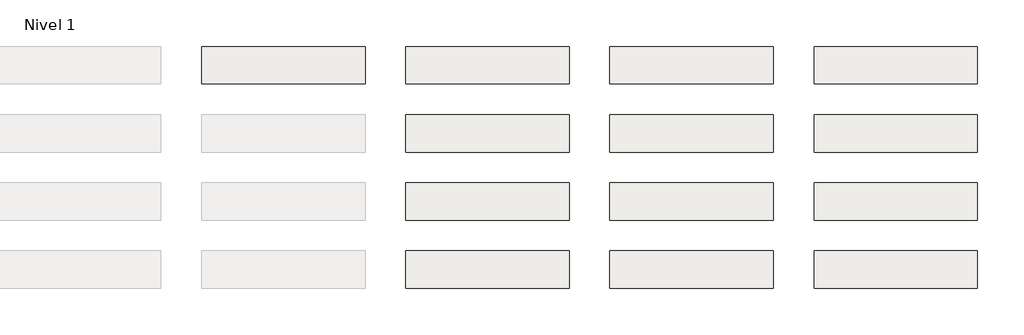
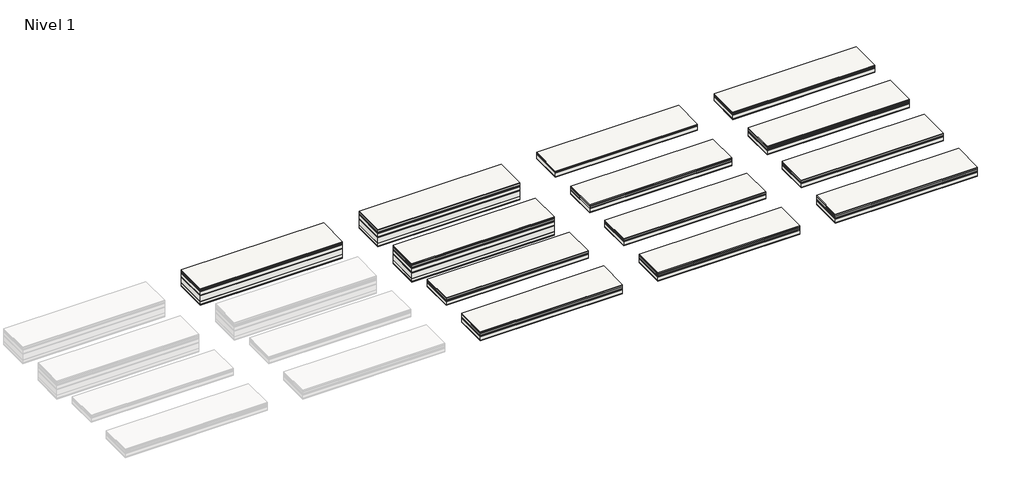
# One storey, part 2 of 2: 13 slabs.
"""IFC4 building model written with IfcOpenShell, lengths in millimetres."""

from ifc_helpers import new_model, si_unit, frame, origin, place, context, project, spatial, polyline, outline, extrude, element, save

model = new_model("IFC4")

# Units and contexts
model_context = context("Model", 3, world=origin())
ifc_project = project(units=[si_unit("LENGTHUNIT", "METRE", prefix="MILLI")], contexts=[model_context])

# Site, building, storey
site = spatial("IfcSite", under=ifc_project)
building = spatial("IfcBuilding", under=site)
storey = spatial("IfcBuildingStorey", under=building, Name="Nivel 1", Elevation=0.0)

# Slabs
placement = place(None, origin())
element("IfcSlab", 1, at=placement, inside=storey, context=model_context, shape_type="SweptSolid", body=[
    extrude(outline(polyline([(7184.4345966, -2901.6608764), (7184.4345966, -3451.6608764), (4784.4345966, -3451.6608764), (4784.4345966, -2901.6608764), (7184.4345966, -2901.6608764)])), frame((0.0, 0.0, -10.0), z_axis=(0.0, 0.0, 1.0), x_axis=(1.0, 0.0, 0.0)), (0.0, 0.0, 1.0), 10.0),
    extrude(outline(polyline([(7184.4345966, -2901.6608764), (7184.4345966, -3451.6608764), (4784.4345966, -3451.6608764), (4784.4345966, -2901.6608764), (7184.4345966, -2901.6608764)])), frame((0.0, 0.0, -30.0), z_axis=(0.0, 0.0, 1.0), x_axis=(1.0, 0.0, 0.0)), (0.0, 0.0, 1.0), 20.0),
    extrude(outline(polyline([(7184.4345966, -2901.6608764), (7184.4345966, -3451.6608764), (4784.4345966, -3451.6608764), (4784.4345966, -2901.6608764), (7184.4345966, -2901.6608764)])), frame((0.0, 0.0, -45.0), z_axis=(0.0, 0.0, 1.0), x_axis=(1.0, 0.0, 0.0)), (0.0, 0.0, 1.0), 15.0),
    extrude(outline(polyline([(7184.4345966, -2901.6608764), (7184.4345966, -3451.6608764), (4784.4345966, -3451.6608764), (4784.4345966, -2901.6608764), (7184.4345966, -2901.6608764)])), frame((0.0, 0.0, -57.5), z_axis=(0.0, 0.0, 1.0), x_axis=(1.0, 0.0, 0.0)), (0.0, 0.0, 1.0), 12.5),
    extrude(outline(polyline([(7184.4345966, -2901.6608764), (7184.4345966, -3451.6608764), (4784.4345966, -3451.6608764), (4784.4345966, -2901.6608764), (7184.4345966, -2901.6608764)])), frame((0.0, 0.0, -117.5), z_axis=(0.0, 0.0, 1.0), x_axis=(1.0, 0.0, 0.0)), (0.0, 0.0, 1.0), 60.0),
    extrude(outline(polyline([(7184.4345966, -2901.6608764), (7184.4345966, -3451.6608764), (4784.4345966, -3451.6608764), (4784.4345966, -2901.6608764), (7184.4345966, -2901.6608764)])), frame((0.0, 0.0, -130.0), z_axis=(0.0, 0.0, 1.0), x_axis=(1.0, 0.0, 0.0)), (0.0, 0.0, 1.0), 12.5),
    extrude(outline(polyline([(7184.4345966, -2901.6608764), (7184.4345966, -3451.6608764), (4784.4345966, -3451.6608764), (4784.4345966, -2901.6608764), (7184.4345966, -2901.6608764)])), frame((0.0, 0.0, -230.0), z_axis=(0.0, 0.0, 1.0), x_axis=(1.0, 0.0, 0.0)), (0.0, 0.0, 1.0), 100.0),
    extrude(outline(polyline([(7184.4345966, -2901.6608764), (7184.4345966, -3451.6608764), (4784.4345966, -3451.6608764), (4784.4345966, -2901.6608764), (7184.4345966, -2901.6608764)])), frame((0.0, 0.0, -280.0), z_axis=(0.0, 0.0, 1.0), x_axis=(1.0, 0.0, 0.0)), (0.0, 0.0, 1.0), 50.0),
    extrude(outline(polyline([(7184.4345966, -2901.6608764), (7184.4345966, -3451.6608764), (4784.4345966, -3451.6608764), (4784.4345966, -2901.6608764), (7184.4345966, -2901.6608764)])), frame((0.0, 0.0, -295.0), z_axis=(0.0, 0.0, 1.0), x_axis=(1.0, 0.0, 0.0)), (0.0, 0.0, 1.0), 15.0),
])
element("IfcSlab", 2, at=placement, inside=storey, context=model_context, shape_type="SweptSolid", body=[
    extrude(outline(polyline([(10184.4345966, -2901.6608764), (10184.4345966, -3451.6608764), (7784.4345966, -3451.6608764), (7784.4345966, -2901.6608764), (10184.4345966, -2901.6608764)])), frame((0.0, 0.0, -10.0), z_axis=(0.0, 0.0, 1.0), x_axis=(1.0, 0.0, 0.0)), (0.0, 0.0, 1.0), 10.0),
    extrude(outline(polyline([(10184.4345966, -2901.6608764), (10184.4345966, -3451.6608764), (7784.4345966, -3451.6608764), (7784.4345966, -2901.6608764), (10184.4345966, -2901.6608764)])), frame((0.0, 0.0, -40.0), z_axis=(0.0, 0.0, 1.0), x_axis=(1.0, 0.0, 0.0)), (0.0, 0.0, 1.0), 30.0),
    extrude(outline(polyline([(10184.4345966, -2901.6608764), (10184.4345966, -3451.6608764), (7784.4345966, -3451.6608764), (7784.4345966, -2901.6608764), (10184.4345966, -2901.6608764)])), frame((0.0, 0.0, -55.0), z_axis=(0.0, 0.0, 1.0), x_axis=(1.0, 0.0, 0.0)), (0.0, 0.0, 1.0), 15.0),
    extrude(outline(polyline([(10184.4345966, -2901.6608764), (10184.4345966, -3451.6608764), (7784.4345966, -3451.6608764), (7784.4345966, -2901.6608764), (10184.4345966, -2901.6608764)])), frame((0.0, 0.0, -67.5), z_axis=(0.0, 0.0, 1.0), x_axis=(1.0, 0.0, 0.0)), (0.0, 0.0, 1.0), 12.5),
    extrude(outline(polyline([(10184.4345966, -2901.6608764), (10184.4345966, -3451.6608764), (7784.4345966, -3451.6608764), (7784.4345966, -2901.6608764), (10184.4345966, -2901.6608764)])), frame((0.0, 0.0, -127.5), z_axis=(0.0, 0.0, 1.0), x_axis=(1.0, 0.0, 0.0)), (0.0, 0.0, 1.0), 60.0),
    extrude(outline(polyline([(10184.4345966, -2901.6608764), (10184.4345966, -3451.6608764), (7784.4345966, -3451.6608764), (7784.4345966, -2901.6608764), (10184.4345966, -2901.6608764)])), frame((0.0, 0.0, -140.0), z_axis=(0.0, 0.0, 1.0), x_axis=(1.0, 0.0, 0.0)), (0.0, 0.0, 1.0), 12.5),
    extrude(outline(polyline([(10184.4345966, -2901.6608764), (10184.4345966, -3451.6608764), (7784.4345966, -3451.6608764), (7784.4345966, -2901.6608764), (10184.4345966, -2901.6608764)])), frame((0.0, 0.0, -240.0), z_axis=(0.0, 0.0, 1.0), x_axis=(1.0, 0.0, 0.0)), (0.0, 0.0, 1.0), 100.0),
    extrude(outline(polyline([(10184.4345966, -2901.6608764), (10184.4345966, -3451.6608764), (7784.4345966, -3451.6608764), (7784.4345966, -2901.6608764), (10184.4345966, -2901.6608764)])), frame((0.0, 0.0, -290.0), z_axis=(0.0, 0.0, 1.0), x_axis=(1.0, 0.0, 0.0)), (0.0, 0.0, 1.0), 50.0),
    extrude(outline(polyline([(10184.4345966, -2901.6608764), (10184.4345966, -3451.6608764), (7784.4345966, -3451.6608764), (7784.4345966, -2901.6608764), (10184.4345966, -2901.6608764)])), frame((0.0, 0.0, -305.0), z_axis=(0.0, 0.0, 1.0), x_axis=(1.0, 0.0, 0.0)), (0.0, 0.0, 1.0), 15.0),
])
element("IfcSlab", 3, at=placement, inside=storey, context=model_context, shape_type="SweptSolid", body=[
    extrude(outline(polyline([(10184.4345966, -3901.6608764), (10184.4345966, -4451.6608764), (7784.4345966, -4451.6608764), (7784.4345966, -3901.6608764), (10184.4345966, -3901.6608764)])), frame((0.0, 0.0, -15.0), z_axis=(0.0, 0.0, 1.0), x_axis=(1.0, 0.0, 0.0)), (0.0, 0.0, 1.0), 15.0),
    extrude(outline(polyline([(10184.4345966, -3901.6608764), (10184.4345966, -4451.6608764), (7784.4345966, -4451.6608764), (7784.4345966, -3901.6608764), (10184.4345966, -3901.6608764)])), frame((0.0, 0.0, -65.0), z_axis=(0.0, 0.0, 1.0), x_axis=(1.0, 0.0, 0.0)), (0.0, 0.0, 1.0), 30.0),
    extrude(outline(polyline([(10184.4345966, -3901.6608764), (10184.4345966, -4451.6608764), (7784.4345966, -4451.6608764), (7784.4345966, -3901.6608764), (10184.4345966, -3901.6608764)])), frame((0.0, 0.0, -80.0), z_axis=(0.0, 0.0, 1.0), x_axis=(1.0, 0.0, 0.0)), (0.0, 0.0, 1.0), 15.0),
    extrude(outline(polyline([(10184.4345966, -3901.6608764), (10184.4345966, -4451.6608764), (7784.4345966, -4451.6608764), (7784.4345966, -3901.6608764), (10184.4345966, -3901.6608764)])), frame((0.0, 0.0, -92.5), z_axis=(0.0, 0.0, 1.0), x_axis=(1.0, 0.0, 0.0)), (0.0, 0.0, 1.0), 12.5),
    extrude(outline(polyline([(10184.4345966, -3901.6608764), (10184.4345966, -4451.6608764), (7784.4345966, -4451.6608764), (7784.4345966, -3901.6608764), (10184.4345966, -3901.6608764)])), frame((0.0, 0.0, -152.5), z_axis=(0.0, 0.0, 1.0), x_axis=(1.0, 0.0, 0.0)), (0.0, 0.0, 1.0), 60.0),
    extrude(outline(polyline([(10184.4345966, -3901.6608764), (10184.4345966, -4451.6608764), (7784.4345966, -4451.6608764), (7784.4345966, -3901.6608764), (10184.4345966, -3901.6608764)])), frame((0.0, 0.0, -165.0), z_axis=(0.0, 0.0, 1.0), x_axis=(1.0, 0.0, 0.0)), (0.0, 0.0, 1.0), 12.5),
    extrude(outline(polyline([(10184.4345966, -3901.6608764), (10184.4345966, -4451.6608764), (7784.4345966, -4451.6608764), (7784.4345966, -3901.6608764), (10184.4345966, -3901.6608764)])), frame((0.0, 0.0, -265.0), z_axis=(0.0, 0.0, 1.0), x_axis=(1.0, 0.0, 0.0)), (0.0, 0.0, 1.0), 100.0),
    extrude(outline(polyline([(10184.4345966, -3901.6608764), (10184.4345966, -4451.6608764), (7784.4345966, -4451.6608764), (7784.4345966, -3901.6608764), (10184.4345966, -3901.6608764)])), frame((0.0, 0.0, -35.0), z_axis=(0.0, 0.0, 1.0), x_axis=(1.0, 0.0, 0.0)), (0.0, 0.0, 1.0), 20.0),
    extrude(outline(polyline([(10184.4345966, -3901.6608764), (10184.4345966, -4451.6608764), (7784.4345966, -4451.6608764), (7784.4345966, -3901.6608764), (10184.4345966, -3901.6608764)])), frame((0.0, 0.0, -315.0), z_axis=(0.0, 0.0, 1.0), x_axis=(1.0, 0.0, 0.0)), (0.0, 0.0, 1.0), 50.0),
    extrude(outline(polyline([(10184.4345966, -3901.6608764), (10184.4345966, -4451.6608764), (7784.4345966, -4451.6608764), (7784.4345966, -3901.6608764), (10184.4345966, -3901.6608764)])), frame((0.0, 0.0, -330.0), z_axis=(0.0, 0.0, 1.0), x_axis=(1.0, 0.0, 0.0)), (0.0, 0.0, 1.0), 15.0),
])
element("IfcSlab", 4, at=placement, inside=storey, context=model_context, shape_type="SweptSolid", body=[
    extrude(outline(polyline([(10184.4345966, -4901.6608764), (10184.4345966, -5451.6608764), (7784.4345966, -5451.6608764), (7784.4345966, -4901.6608764), (10184.4345966, -4901.6608764)])), frame((0.0, 0.0, -10.0), z_axis=(0.0, 0.0, 1.0), x_axis=(1.0, 0.0, 0.0)), (0.0, 0.0, 1.0), 10.0),
    extrude(outline(polyline([(10184.4345966, -4901.6608764), (10184.4345966, -5451.6608764), (7784.4345966, -5451.6608764), (7784.4345966, -4901.6608764), (10184.4345966, -4901.6608764)])), frame((0.0, 0.0, -40.0), z_axis=(0.0, 0.0, 1.0), x_axis=(1.0, 0.0, 0.0)), (0.0, 0.0, 1.0), 30.0),
    extrude(outline(polyline([(10184.4345966, -4901.6608764), (10184.4345966, -5451.6608764), (7784.4345966, -5451.6608764), (7784.4345966, -4901.6608764), (10184.4345966, -4901.6608764)])), frame((0.0, 0.0, -55.0), z_axis=(0.0, 0.0, 1.0), x_axis=(1.0, 0.0, 0.0)), (0.0, 0.0, 1.0), 15.0),
    extrude(outline(polyline([(10184.4345966, -4901.6608764), (10184.4345966, -5451.6608764), (7784.4345966, -5451.6608764), (7784.4345966, -4901.6608764), (10184.4345966, -4901.6608764)])), frame((0.0, 0.0, -67.5), z_axis=(0.0, 0.0, 1.0), x_axis=(1.0, 0.0, 0.0)), (0.0, 0.0, 1.0), 12.5),
    extrude(outline(polyline([(10184.4345966, -4901.6608764), (10184.4345966, -5451.6608764), (7784.4345966, -5451.6608764), (7784.4345966, -4901.6608764), (10184.4345966, -4901.6608764)])), frame((0.0, 0.0, -127.5), z_axis=(0.0, 0.0, 1.0), x_axis=(1.0, 0.0, 0.0)), (0.0, 0.0, 1.0), 60.0),
    extrude(outline(polyline([(10184.4345966, -4901.6608764), (10184.4345966, -5451.6608764), (7784.4345966, -5451.6608764), (7784.4345966, -4901.6608764), (10184.4345966, -4901.6608764)])), frame((0.0, 0.0, -137.5), z_axis=(0.0, 0.0, 1.0), x_axis=(1.0, 0.0, 0.0)), (0.0, 0.0, 1.0), 10.0),
])
element("IfcSlab", 5, at=placement, inside=storey, context=model_context, shape_type="SweptSolid", body=[
    extrude(outline(polyline([(10184.4345966, -5901.6608764), (10184.4345966, -6451.6608764), (7784.4345966, -6451.6608764), (7784.4345966, -5901.6608764), (10184.4345966, -5901.6608764)])), frame((0.0, 0.0, -15.0), z_axis=(0.0, 0.0, 1.0), x_axis=(1.0, 0.0, 0.0)), (0.0, 0.0, 1.0), 15.0),
    extrude(outline(polyline([(10184.4345966, -5901.6608764), (10184.4345966, -6451.6608764), (7784.4345966, -6451.6608764), (7784.4345966, -5901.6608764), (10184.4345966, -5901.6608764)])), frame((0.0, 0.0, -65.0), z_axis=(0.0, 0.0, 1.0), x_axis=(1.0, 0.0, 0.0)), (0.0, 0.0, 1.0), 30.0),
    extrude(outline(polyline([(10184.4345966, -5901.6608764), (10184.4345966, -6451.6608764), (7784.4345966, -6451.6608764), (7784.4345966, -5901.6608764), (10184.4345966, -5901.6608764)])), frame((0.0, 0.0, -80.0), z_axis=(0.0, 0.0, 1.0), x_axis=(1.0, 0.0, 0.0)), (0.0, 0.0, 1.0), 15.0),
    extrude(outline(polyline([(10184.4345966, -5901.6608764), (10184.4345966, -6451.6608764), (7784.4345966, -6451.6608764), (7784.4345966, -5901.6608764), (10184.4345966, -5901.6608764)])), frame((0.0, 0.0, -92.5), z_axis=(0.0, 0.0, 1.0), x_axis=(1.0, 0.0, 0.0)), (0.0, 0.0, 1.0), 12.5),
    extrude(outline(polyline([(10184.4345966, -5901.6608764), (10184.4345966, -6451.6608764), (7784.4345966, -6451.6608764), (7784.4345966, -5901.6608764), (10184.4345966, -5901.6608764)])), frame((0.0, 0.0, -35.0), z_axis=(0.0, 0.0, 1.0), x_axis=(1.0, 0.0, 0.0)), (0.0, 0.0, 1.0), 20.0),
    extrude(outline(polyline([(10184.4345966, -5901.6608764), (10184.4345966, -6451.6608764), (7784.4345966, -6451.6608764), (7784.4345966, -5901.6608764), (10184.4345966, -5901.6608764)])), frame((0.0, 0.0, -152.5), z_axis=(0.0, 0.0, 1.0), x_axis=(1.0, 0.0, 0.0)), (0.0, 0.0, 1.0), 60.0),
    extrude(outline(polyline([(10184.4345966, -5901.6608764), (10184.4345966, -6451.6608764), (7784.4345966, -6451.6608764), (7784.4345966, -5901.6608764), (10184.4345966, -5901.6608764)])), frame((0.0, 0.0, -162.5), z_axis=(0.0, 0.0, 1.0), x_axis=(1.0, 0.0, 0.0)), (0.0, 0.0, 1.0), 10.0),
])
element("IfcSlab", 6, at=placement, inside=storey, context=model_context, shape_type="SweptSolid", body=[
    extrude(outline(polyline([(13184.4345966, -2901.6608764), (13184.4345966, -3451.6608764), (10784.4345966, -3451.6608764), (10784.4345966, -2901.6608764), (13184.4345966, -2901.6608764)])), frame((0.0, 0.0, -10.0), z_axis=(0.0, 0.0, 1.0), x_axis=(1.0, 0.0, 0.0)), (0.0, 0.0, 1.0), 10.0),
    extrude(outline(polyline([(13184.4345966, -2901.6608764), (13184.4345966, -3451.6608764), (10784.4345966, -3451.6608764), (10784.4345966, -2901.6608764), (13184.4345966, -2901.6608764)])), frame((0.0, 0.0, -30.0), z_axis=(0.0, 0.0, 1.0), x_axis=(1.0, 0.0, 0.0)), (0.0, 0.0, 1.0), 20.0),
    extrude(outline(polyline([(13184.4345966, -2901.6608764), (13184.4345966, -3451.6608764), (10784.4345966, -3451.6608764), (10784.4345966, -2901.6608764), (13184.4345966, -2901.6608764)])), frame((0.0, 0.0, -102.5), z_axis=(0.0, 0.0, 1.0), x_axis=(1.0, 0.0, 0.0)), (0.0, 0.0, 1.0), 60.0),
    extrude(outline(polyline([(13184.4345966, -2901.6608764), (13184.4345966, -3451.6608764), (10784.4345966, -3451.6608764), (10784.4345966, -2901.6608764), (13184.4345966, -2901.6608764)])), frame((0.0, 0.0, -115.0), z_axis=(0.0, 0.0, 1.0), x_axis=(1.0, 0.0, 0.0)), (0.0, 0.0, 1.0), 12.5),
    extrude(outline(polyline([(13184.4345966, -2901.6608764), (13184.4345966, -3451.6608764), (10784.4345966, -3451.6608764), (10784.4345966, -2901.6608764), (13184.4345966, -2901.6608764)])), frame((0.0, 0.0, -42.5), z_axis=(0.0, 0.0, 1.0), x_axis=(1.0, 0.0, 0.0)), (0.0, 0.0, 1.0), 12.5),
])
element("IfcSlab", 7, at=placement, inside=storey, context=model_context, shape_type="SweptSolid", body=[
    extrude(outline(polyline([(13184.4345966, -3901.6608764), (13184.4345966, -4451.6608764), (10784.4345966, -4451.6608764), (10784.4345966, -3901.6608764), (13184.4345966, -3901.6608764)])), frame((0.0, 0.0, -15.0), z_axis=(0.0, 0.0, 1.0), x_axis=(1.0, 0.0, 0.0)), (0.0, 0.0, 1.0), 15.0),
    extrude(outline(polyline([(13184.4345966, -3901.6608764), (13184.4345966, -4451.6608764), (10784.4345966, -4451.6608764), (10784.4345966, -3901.6608764), (13184.4345966, -3901.6608764)])), frame((0.0, 0.0, -55.0), z_axis=(0.0, 0.0, 1.0), x_axis=(1.0, 0.0, 0.0)), (0.0, 0.0, 1.0), 20.0),
    extrude(outline(polyline([(13184.4345966, -3901.6608764), (13184.4345966, -4451.6608764), (10784.4345966, -4451.6608764), (10784.4345966, -3901.6608764), (13184.4345966, -3901.6608764)])), frame((0.0, 0.0, -127.5), z_axis=(0.0, 0.0, 1.0), x_axis=(1.0, 0.0, 0.0)), (0.0, 0.0, 1.0), 60.0),
    extrude(outline(polyline([(13184.4345966, -3901.6608764), (13184.4345966, -4451.6608764), (10784.4345966, -4451.6608764), (10784.4345966, -3901.6608764), (13184.4345966, -3901.6608764)])), frame((0.0, 0.0, -140.0), z_axis=(0.0, 0.0, 1.0), x_axis=(1.0, 0.0, 0.0)), (0.0, 0.0, 1.0), 12.5),
    extrude(outline(polyline([(13184.4345966, -3901.6608764), (13184.4345966, -4451.6608764), (10784.4345966, -4451.6608764), (10784.4345966, -3901.6608764), (13184.4345966, -3901.6608764)])), frame((0.0, 0.0, -35.0), z_axis=(0.0, 0.0, 1.0), x_axis=(1.0, 0.0, 0.0)), (0.0, 0.0, 1.0), 20.0),
    extrude(outline(polyline([(13184.4345966, -3901.6608764), (13184.4345966, -4451.6608764), (10784.4345966, -4451.6608764), (10784.4345966, -3901.6608764), (13184.4345966, -3901.6608764)])), frame((0.0, 0.0, -67.5), z_axis=(0.0, 0.0, 1.0), x_axis=(1.0, 0.0, 0.0)), (0.0, 0.0, 1.0), 12.5),
])
element("IfcSlab", 8, at=placement, inside=storey, context=model_context, shape_type="SweptSolid", body=[
    extrude(outline(polyline([(13184.4345966, -4901.6608764), (13184.4345966, -5451.6608764), (10784.4345966, -5451.6608764), (10784.4345966, -4901.6608764), (13184.4345966, -4901.6608764)])), frame((0.0, 0.0, -10.0), z_axis=(0.0, 0.0, 1.0), x_axis=(1.0, 0.0, 0.0)), (0.0, 0.0, 1.0), 10.0),
    extrude(outline(polyline([(13184.4345966, -4901.6608764), (13184.4345966, -5451.6608764), (10784.4345966, -5451.6608764), (10784.4345966, -4901.6608764), (13184.4345966, -4901.6608764)])), frame((0.0, 0.0, -30.0), z_axis=(0.0, 0.0, 1.0), x_axis=(1.0, 0.0, 0.0)), (0.0, 0.0, 1.0), 20.0),
    extrude(outline(polyline([(13184.4345966, -4901.6608764), (13184.4345966, -5451.6608764), (10784.4345966, -5451.6608764), (10784.4345966, -4901.6608764), (13184.4345966, -4901.6608764)])), frame((0.0, 0.0, -52.5), z_axis=(0.0, 0.0, 1.0), x_axis=(1.0, 0.0, 0.0)), (0.0, 0.0, 1.0), 12.5),
    extrude(outline(polyline([(13184.4345966, -4901.6608764), (13184.4345966, -5451.6608764), (10784.4345966, -5451.6608764), (10784.4345966, -4901.6608764), (13184.4345966, -4901.6608764)])), frame((0.0, 0.0, -112.5), z_axis=(0.0, 0.0, 1.0), x_axis=(1.0, 0.0, 0.0)), (0.0, 0.0, 1.0), 60.0),
    extrude(outline(polyline([(13184.4345966, -4901.6608764), (13184.4345966, -5451.6608764), (10784.4345966, -5451.6608764), (10784.4345966, -4901.6608764), (13184.4345966, -4901.6608764)])), frame((0.0, 0.0, -125.0), z_axis=(0.0, 0.0, 1.0), x_axis=(1.0, 0.0, 0.0)), (0.0, 0.0, 1.0), 12.5),
    extrude(outline(polyline([(13184.4345966, -4901.6608764), (13184.4345966, -5451.6608764), (10784.4345966, -5451.6608764), (10784.4345966, -4901.6608764), (13184.4345966, -4901.6608764)])), frame((0.0, 0.0, -40.0), z_axis=(0.0, 0.0, 1.0), x_axis=(1.0, 0.0, 0.0)), (0.0, 0.0, 1.0), 10.0),
])
element("IfcSlab", 9, at=placement, inside=storey, context=model_context, shape_type="SweptSolid", body=[
    extrude(outline(polyline([(13184.4345966, -5901.6608764), (13184.4345966, -6451.6608764), (10784.4345966, -6451.6608764), (10784.4345966, -5901.6608764), (13184.4345966, -5901.6608764)])), frame((0.0, 0.0, -15.0), z_axis=(0.0, 0.0, 1.0), x_axis=(1.0, 0.0, 0.0)), (0.0, 0.0, 1.0), 15.0),
    extrude(outline(polyline([(13184.4345966, -5901.6608764), (13184.4345966, -6451.6608764), (10784.4345966, -6451.6608764), (10784.4345966, -5901.6608764), (13184.4345966, -5901.6608764)])), frame((0.0, 0.0, -55.0), z_axis=(0.0, 0.0, 1.0), x_axis=(1.0, 0.0, 0.0)), (0.0, 0.0, 1.0), 20.0),
    extrude(outline(polyline([(13184.4345966, -5901.6608764), (13184.4345966, -6451.6608764), (10784.4345966, -6451.6608764), (10784.4345966, -5901.6608764), (13184.4345966, -5901.6608764)])), frame((0.0, 0.0, -77.5), z_axis=(0.0, 0.0, 1.0), x_axis=(1.0, 0.0, 0.0)), (0.0, 0.0, 1.0), 12.5),
    extrude(outline(polyline([(13184.4345966, -5901.6608764), (13184.4345966, -6451.6608764), (10784.4345966, -6451.6608764), (10784.4345966, -5901.6608764), (13184.4345966, -5901.6608764)])), frame((0.0, 0.0, -137.5), z_axis=(0.0, 0.0, 1.0), x_axis=(1.0, 0.0, 0.0)), (0.0, 0.0, 1.0), 60.0),
    extrude(outline(polyline([(13184.4345966, -5901.6608764), (13184.4345966, -6451.6608764), (10784.4345966, -6451.6608764), (10784.4345966, -5901.6608764), (13184.4345966, -5901.6608764)])), frame((0.0, 0.0, -35.0), z_axis=(0.0, 0.0, 1.0), x_axis=(1.0, 0.0, 0.0)), (0.0, 0.0, 1.0), 20.0),
    extrude(outline(polyline([(13184.4345966, -5901.6608764), (13184.4345966, -6451.6608764), (10784.4345966, -6451.6608764), (10784.4345966, -5901.6608764), (13184.4345966, -5901.6608764)])), frame((0.0, 0.0, -150.0), z_axis=(0.0, 0.0, 1.0), x_axis=(1.0, 0.0, 0.0)), (0.0, 0.0, 1.0), 12.5),
    extrude(outline(polyline([(13184.4345966, -5901.6608764), (13184.4345966, -6451.6608764), (10784.4345966, -6451.6608764), (10784.4345966, -5901.6608764), (13184.4345966, -5901.6608764)])), frame((0.0, 0.0, -65.0), z_axis=(0.0, 0.0, 1.0), x_axis=(1.0, 0.0, 0.0)), (0.0, 0.0, 1.0), 10.0),
])
element("IfcSlab", 10, at=placement, inside=storey, context=model_context, shape_type="SweptSolid", body=[
    extrude(outline(polyline([(16184.4345966, -2901.6608764), (16184.4345966, -3451.6608764), (13784.4345966, -3451.6608764), (13784.4345966, -2901.6608764), (16184.4345966, -2901.6608764)])), frame((0.0, 0.0, -10.0), z_axis=(0.0, 0.0, 1.0), x_axis=(1.0, 0.0, 0.0)), (0.0, 0.0, 1.0), 10.0),
    extrude(outline(polyline([(16184.4345966, -2901.6608764), (16184.4345966, -3451.6608764), (13784.4345966, -3451.6608764), (13784.4345966, -2901.6608764), (16184.4345966, -2901.6608764)])), frame((0.0, 0.0, -30.0), z_axis=(0.0, 0.0, 1.0), x_axis=(1.0, 0.0, 0.0)), (0.0, 0.0, 1.0), 20.0),
    extrude(outline(polyline([(16184.4345966, -2901.6608764), (16184.4345966, -3451.6608764), (13784.4345966, -3451.6608764), (13784.4345966, -2901.6608764), (16184.4345966, -2901.6608764)])), frame((0.0, 0.0, -45.0), z_axis=(0.0, 0.0, 1.0), x_axis=(1.0, 0.0, 0.0)), (0.0, 0.0, 1.0), 15.0),
    extrude(outline(polyline([(16184.4345966, -2901.6608764), (16184.4345966, -3451.6608764), (13784.4345966, -3451.6608764), (13784.4345966, -2901.6608764), (16184.4345966, -2901.6608764)])), frame((0.0, 0.0, -57.5), z_axis=(0.0, 0.0, 1.0), x_axis=(1.0, 0.0, 0.0)), (0.0, 0.0, 1.0), 12.5),
    extrude(outline(polyline([(16184.4345966, -2901.6608764), (16184.4345966, -3451.6608764), (13784.4345966, -3451.6608764), (13784.4345966, -2901.6608764), (16184.4345966, -2901.6608764)])), frame((0.0, 0.0, -117.5), z_axis=(0.0, 0.0, 1.0), x_axis=(1.0, 0.0, 0.0)), (0.0, 0.0, 1.0), 60.0),
    extrude(outline(polyline([(16184.4345966, -2901.6608764), (16184.4345966, -3451.6608764), (13784.4345966, -3451.6608764), (13784.4345966, -2901.6608764), (16184.4345966, -2901.6608764)])), frame((0.0, 0.0, -130.0), z_axis=(0.0, 0.0, 1.0), x_axis=(1.0, 0.0, 0.0)), (0.0, 0.0, 1.0), 12.5),
])
element("IfcSlab", 11, at=placement, inside=storey, context=model_context, shape_type="SweptSolid", body=[
    extrude(outline(polyline([(16184.4345966, -3901.6608764), (16184.4345966, -4451.6608764), (13784.4345966, -4451.6608764), (13784.4345966, -3901.6608764), (16184.4345966, -3901.6608764)])), frame((0.0, 0.0, -15.0), z_axis=(0.0, 0.0, 1.0), x_axis=(1.0, 0.0, 0.0)), (0.0, 0.0, 1.0), 15.0),
    extrude(outline(polyline([(16184.4345966, -3901.6608764), (16184.4345966, -4451.6608764), (13784.4345966, -4451.6608764), (13784.4345966, -3901.6608764), (16184.4345966, -3901.6608764)])), frame((0.0, 0.0, -55.0), z_axis=(0.0, 0.0, 1.0), x_axis=(1.0, 0.0, 0.0)), (0.0, 0.0, 1.0), 20.0),
    extrude(outline(polyline([(16184.4345966, -3901.6608764), (16184.4345966, -4451.6608764), (13784.4345966, -4451.6608764), (13784.4345966, -3901.6608764), (16184.4345966, -3901.6608764)])), frame((0.0, 0.0, -70.0), z_axis=(0.0, 0.0, 1.0), x_axis=(1.0, 0.0, 0.0)), (0.0, 0.0, 1.0), 15.0),
    extrude(outline(polyline([(16184.4345966, -3901.6608764), (16184.4345966, -4451.6608764), (13784.4345966, -4451.6608764), (13784.4345966, -3901.6608764), (16184.4345966, -3901.6608764)])), frame((0.0, 0.0, -82.5), z_axis=(0.0, 0.0, 1.0), x_axis=(1.0, 0.0, 0.0)), (0.0, 0.0, 1.0), 12.5),
    extrude(outline(polyline([(16184.4345966, -3901.6608764), (16184.4345966, -4451.6608764), (13784.4345966, -4451.6608764), (13784.4345966, -3901.6608764), (16184.4345966, -3901.6608764)])), frame((0.0, 0.0, -35.0), z_axis=(0.0, 0.0, 1.0), x_axis=(1.0, 0.0, 0.0)), (0.0, 0.0, 1.0), 20.0),
    extrude(outline(polyline([(16184.4345966, -3901.6608764), (16184.4345966, -4451.6608764), (13784.4345966, -4451.6608764), (13784.4345966, -3901.6608764), (16184.4345966, -3901.6608764)])), frame((0.0, 0.0, -142.5), z_axis=(0.0, 0.0, 1.0), x_axis=(1.0, 0.0, 0.0)), (0.0, 0.0, 1.0), 60.0),
    extrude(outline(polyline([(16184.4345966, -3901.6608764), (16184.4345966, -4451.6608764), (13784.4345966, -4451.6608764), (13784.4345966, -3901.6608764), (16184.4345966, -3901.6608764)])), frame((0.0, 0.0, -155.0), z_axis=(0.0, 0.0, 1.0), x_axis=(1.0, 0.0, 0.0)), (0.0, 0.0, 1.0), 12.5),
])
element("IfcSlab", 12, at=placement, inside=storey, context=model_context, shape_type="SweptSolid", body=[
    extrude(outline(polyline([(16184.4345966, -4901.6608764), (16184.4345966, -5451.6608764), (13784.4345966, -5451.6608764), (13784.4345966, -4901.6608764), (16184.4345966, -4901.6608764)])), frame((0.0, 0.0, -10.0), z_axis=(0.0, 0.0, 1.0), x_axis=(1.0, 0.0, 0.0)), (0.0, 0.0, 1.0), 10.0),
    extrude(outline(polyline([(16184.4345966, -4901.6608764), (16184.4345966, -5451.6608764), (13784.4345966, -5451.6608764), (13784.4345966, -4901.6608764), (16184.4345966, -4901.6608764)])), frame((0.0, 0.0, -40.0), z_axis=(0.0, 0.0, 1.0), x_axis=(1.0, 0.0, 0.0)), (0.0, 0.0, 1.0), 30.0),
    extrude(outline(polyline([(16184.4345966, -4901.6608764), (16184.4345966, -5451.6608764), (13784.4345966, -5451.6608764), (13784.4345966, -4901.6608764), (16184.4345966, -4901.6608764)])), frame((0.0, 0.0, -55.0), z_axis=(0.0, 0.0, 1.0), x_axis=(1.0, 0.0, 0.0)), (0.0, 0.0, 1.0), 15.0),
    extrude(outline(polyline([(16184.4345966, -4901.6608764), (16184.4345966, -5451.6608764), (13784.4345966, -5451.6608764), (13784.4345966, -4901.6608764), (16184.4345966, -4901.6608764)])), frame((0.0, 0.0, -67.5), z_axis=(0.0, 0.0, 1.0), x_axis=(1.0, 0.0, 0.0)), (0.0, 0.0, 1.0), 12.5),
    extrude(outline(polyline([(16184.4345966, -4901.6608764), (16184.4345966, -5451.6608764), (13784.4345966, -5451.6608764), (13784.4345966, -4901.6608764), (16184.4345966, -4901.6608764)])), frame((0.0, 0.0, -127.5), z_axis=(0.0, 0.0, 1.0), x_axis=(1.0, 0.0, 0.0)), (0.0, 0.0, 1.0), 60.0),
    extrude(outline(polyline([(16184.4345966, -4901.6608764), (16184.4345966, -5451.6608764), (13784.4345966, -5451.6608764), (13784.4345966, -4901.6608764), (16184.4345966, -4901.6608764)])), frame((0.0, 0.0, -140.0), z_axis=(0.0, 0.0, 1.0), x_axis=(1.0, 0.0, 0.0)), (0.0, 0.0, 1.0), 12.5),
])
element("IfcSlab", 13, at=placement, inside=storey, context=model_context, shape_type="SweptSolid", body=[
    extrude(outline(polyline([(16184.4345966, -5901.6608764), (16184.4345966, -6451.6608764), (13784.4345966, -6451.6608764), (13784.4345966, -5901.6608764), (16184.4345966, -5901.6608764)])), frame((0.0, 0.0, -15.0), z_axis=(0.0, 0.0, 1.0), x_axis=(1.0, 0.0, 0.0)), (0.0, 0.0, 1.0), 15.0),
    extrude(outline(polyline([(16184.4345966, -5901.6608764), (16184.4345966, -6451.6608764), (13784.4345966, -6451.6608764), (13784.4345966, -5901.6608764), (16184.4345966, -5901.6608764)])), frame((0.0, 0.0, -65.0), z_axis=(0.0, 0.0, 1.0), x_axis=(1.0, 0.0, 0.0)), (0.0, 0.0, 1.0), 30.0),
    extrude(outline(polyline([(16184.4345966, -5901.6608764), (16184.4345966, -6451.6608764), (13784.4345966, -6451.6608764), (13784.4345966, -5901.6608764), (16184.4345966, -5901.6608764)])), frame((0.0, 0.0, -80.0), z_axis=(0.0, 0.0, 1.0), x_axis=(1.0, 0.0, 0.0)), (0.0, 0.0, 1.0), 15.0),
    extrude(outline(polyline([(16184.4345966, -5901.6608764), (16184.4345966, -6451.6608764), (13784.4345966, -6451.6608764), (13784.4345966, -5901.6608764), (16184.4345966, -5901.6608764)])), frame((0.0, 0.0, -92.5), z_axis=(0.0, 0.0, 1.0), x_axis=(1.0, 0.0, 0.0)), (0.0, 0.0, 1.0), 12.5),
    extrude(outline(polyline([(16184.4345966, -5901.6608764), (16184.4345966, -6451.6608764), (13784.4345966, -6451.6608764), (13784.4345966, -5901.6608764), (16184.4345966, -5901.6608764)])), frame((0.0, 0.0, -35.0), z_axis=(0.0, 0.0, 1.0), x_axis=(1.0, 0.0, 0.0)), (0.0, 0.0, 1.0), 20.0),
    extrude(outline(polyline([(16184.4345966, -5901.6608764), (16184.4345966, -6451.6608764), (13784.4345966, -6451.6608764), (13784.4345966, -5901.6608764), (16184.4345966, -5901.6608764)])), frame((0.0, 0.0, -152.5), z_axis=(0.0, 0.0, 1.0), x_axis=(1.0, 0.0, 0.0)), (0.0, 0.0, 1.0), 60.0),
    extrude(outline(polyline([(16184.4345966, -5901.6608764), (16184.4345966, -6451.6608764), (13784.4345966, -6451.6608764), (13784.4345966, -5901.6608764), (16184.4345966, -5901.6608764)])), frame((0.0, 0.0, -165.0), z_axis=(0.0, 0.0, 1.0), x_axis=(1.0, 0.0, 0.0)), (0.0, 0.0, 1.0), 12.5),
])

save(model, "model.ifc")
